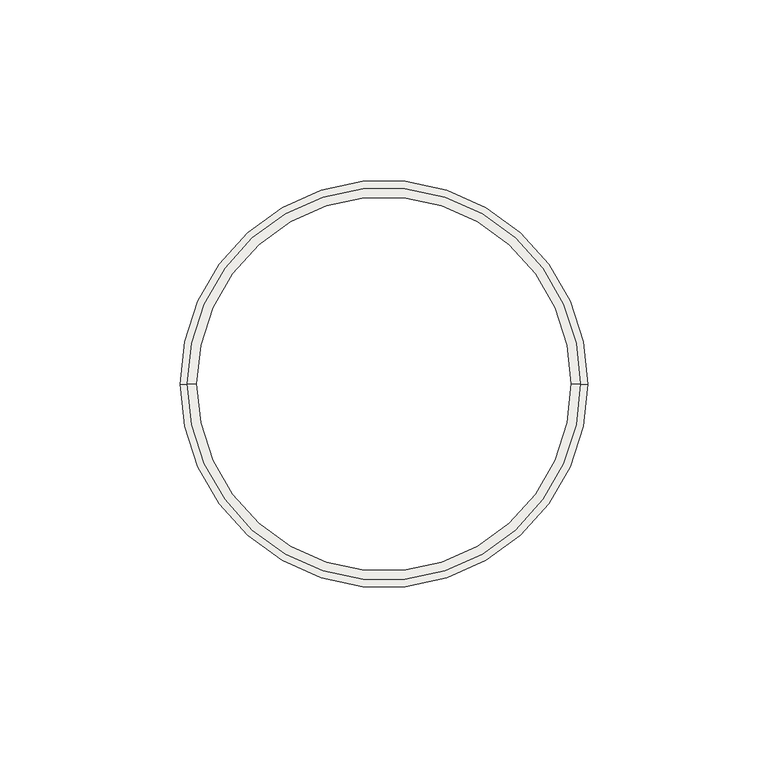
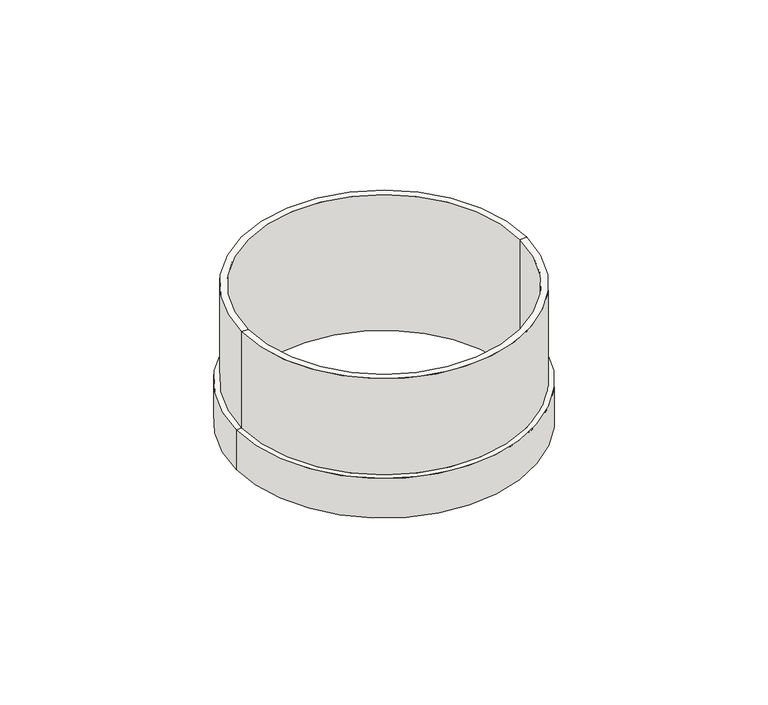
"""IFC4 building model written with IfcOpenShell, lengths in millimetres: covering geometry."""

from ifc_helpers import new_model, si_unit, frame, origin, origin_with_axes, place, context, project, spatial, polyline, circle_curve, source, transform, mapped, element, save
from ifc_brep_helpers import plane_surface, cylinder_surface, revolved_surface, advanced_brep


def covering_845dcc57(model_context):
    return source(origin(), model_context, "Body", "AdvancedBrep", [
        advanced_brep(
        [(-56.5, 0.0, 16.0), (56.5, 0.0, 16.0), (56.5, 0.0, 0.0), (-56.5, 0.0, 0.0), (-54.5, 0.0, 16.0), (54.5, 0.0, 16.0), (-54.5, 0.0, 55.0), (54.5, 0.0, 55.0), (-52.0, 0.0, 55.0), (52.0, 0.0, 55.0), (-52.0, 0.0, 0.0), (52.0, 0.0, 0.0)],
        [
            (0, 1, circle_curve(frame((0.0, 0.0, 16.0), z_axis=(0.0, 0.0, -1.0), x_axis=(1.0, 0.0, 0.0)), 56.5)),
            (1, 2),
            (2, 3, circle_curve(origin_with_axes(), 56.5)),
            (3, 0),
            (1, 0, circle_curve(frame((0.0, 0.0, 16.0), z_axis=(0.0, 0.0, -1.0), x_axis=(1.0, 0.0, 0.0)), 56.5)),
            (3, 2, circle_curve(origin_with_axes(), 56.5)),
            (4, 5, circle_curve(frame((0.0, 0.0, 16.0), z_axis=(0.0, 0.0, -1.0), x_axis=(1.0, 0.0, 0.0)), 54.5)),
            (5, 1),
            (0, 4),
            (5, 4, circle_curve(frame((0.0, 0.0, 16.0), z_axis=(0.0, 0.0, -1.0), x_axis=(1.0, 0.0, 0.0)), 54.5)),
            (6, 7, circle_curve(frame((0.0, 0.0, 55.0), z_axis=(0.0, 0.0, -1.0), x_axis=(1.0, 0.0, 0.0)), 54.5)),
            (7, 5),
            (4, 6),
            (7, 6, circle_curve(frame((0.0, 0.0, 55.0), z_axis=(0.0, 0.0, -1.0), x_axis=(1.0, 0.0, 0.0)), 54.5)),
            (8, 9, circle_curve(frame((0.0, 0.0, 55.0), z_axis=(0.0, 0.0, -1.0), x_axis=(1.0, 0.0, 0.0)), 52.0)),
            (9, 7),
            (6, 8),
            (9, 8, circle_curve(frame((0.0, 0.0, 55.0), z_axis=(0.0, 0.0, -1.0), x_axis=(1.0, 0.0, 0.0)), 52.0)),
            (10, 11, circle_curve(frame((0.0, 0.0, 0.0), z_axis=(0.0, 0.0, -1.0), x_axis=(1.0, 0.0, 0.0)), 52.0)),
            (11, 9),
            (8, 10),
            (11, 10, circle_curve(frame((0.0, 0.0, 0.0), z_axis=(0.0, 0.0, -1.0), x_axis=(1.0, 0.0, 0.0)), 52.0)),
            (2, 11),
            (10, 3),
        ],
        [
            cylinder_surface(frame((0.0, 0.0, 29.25), z_axis=(0.0, 0.0, 1.0), x_axis=(1.0, 0.0, 0.0)), 56.5),
            plane_surface(frame((0.0, 0.0, 16.0), z_axis=(0.0, 0.0, 1.0), x_axis=(1.0, 0.0, 0.0))),
            cylinder_surface(frame((0.0, 0.0, 29.25), z_axis=(0.0, 0.0, 1.0), x_axis=(1.0, 0.0, 0.0)), 54.5),
            plane_surface(frame((0.0, 0.0, 55.0), z_axis=(0.0, 0.0, 1.0), x_axis=(1.0, 0.0, 0.0))),
            revolved_surface(polyline([(52.0, 0.0, 55.0), (52.0, 0.0, 0.0)]), (0.0, 0.0, 29.25), (0.0, 0.0, 1.0)),
            plane_surface(frame((0.0, 0.0, 0.0), z_axis=(0.0, 0.0, -1.0), x_axis=(1.0, 0.0, 0.0))),
        ],
        [
            (0, [[1, 2, 3, 4]]),
            (0, [[5, -4, 6, -2]]),
            (1, [[7, 8, -1, 9]]),
            (1, [[10, -9, -5, -8]]),
            (2, [[11, 12, -7, 13]]),
            (2, [[14, -13, -10, -12]]),
            (3, [[15, 16, -11, 17]]),
            (3, [[18, -17, -14, -16]]),
            (4, [[19, 20, -15, 21]]),
            (4, [[22, -21, -18, -20]]),
            (5, [[-3, 23, -19, 24]]),
            (5, [[-6, -24, -22, -23]]),
        ],
    ),
    ])


if __name__ == "__main__":
    model = new_model("IFC4")
    model_context = context("Model", 3, world=origin())
    ifc_project = project(units=[si_unit("LENGTHUNIT", "METRE", prefix="MILLI")], contexts=[model_context])
    site = spatial("IfcSite", under=ifc_project)
    building = spatial("IfcBuilding", under=site)
    placement = place(None, origin())
    covering_shape = covering_845dcc57(model_context)
    element("IfcCovering", 1, at=placement, inside=building, context=model_context, shape_type="MappedRepresentation", body=[
        mapped(covering_shape, transform((0.0, 0.0, 0.0), x_axis=(1.0, 0.0, 0.0), y_axis=(0.0, 1.0, 0.0), z_axis=(0.0, 0.0, 1.0))),
    ])
    save(model, "model.ifc")
